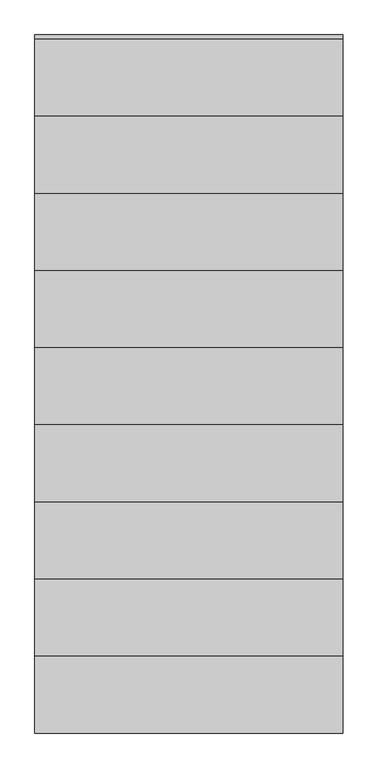
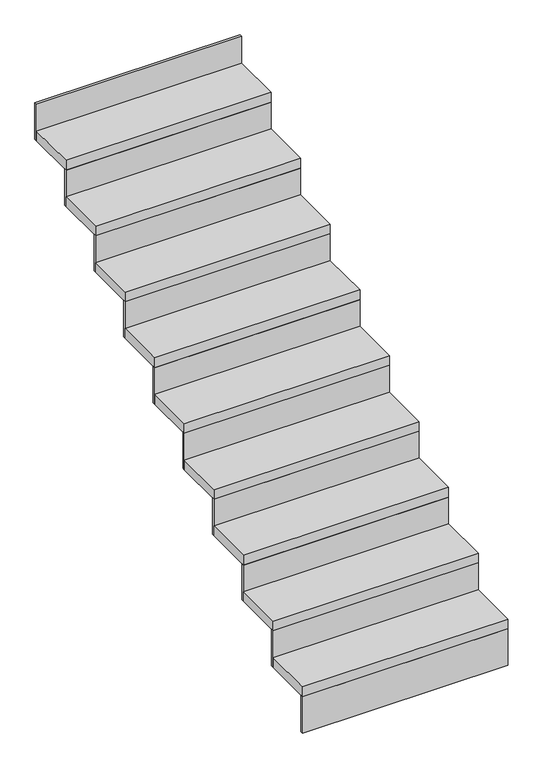
"""IFC4 building model written with IfcOpenShell, lengths in millimetres: stair flight geometry."""

from ifc_helpers import new_model, si_unit, frame, origin, place, context, project, spatial, polyline, outline, extrude, source, transform, mapped, element, save


def stair_flight_de99ba76(model_context):
    return source(origin(), model_context, "Body", "SweptSolid", [
        extrude(outline(polyline([(-4142.620157, 605.4977365), (-4142.620157, 592.9977365), (-5142.620157, 592.9977365), (-5142.620157, 605.4977365), (-4142.620157, 605.4977365)])), frame((0.0, 0.0, 1075.0), z_axis=(0.0, 0.0, 1.0), x_axis=(1.0, 0.0, 0.0)), (0.0, 0.0, 1.0), 187.5),
        extrude(outline(polyline([(-5142.620157, 842.9977365), (-4142.620157, 842.9977365), (-4142.620157, 592.9977365), (-5142.620157, 592.9977365), (-5142.620157, 842.9977365)])), frame((0.0, 0.0, 1262.5), z_axis=(0.0, 0.0, 1.0), x_axis=(1.0, 0.0, 0.0)), (0.0, 0.0, 1.0), 50.0),
        extrude(outline(polyline([(-4142.620157, 855.4977365), (-4142.620157, 842.9977365), (-5142.620157, 842.9977365), (-5142.620157, 855.4977365), (-4142.620157, 855.4977365)])), frame((0.0, 0.0, 1262.5), z_axis=(0.0, 0.0, 1.0), x_axis=(1.0, 0.0, 0.0)), (0.0, 0.0, 1.0), 187.5),
        extrude(outline(polyline([(-5142.620157, 1092.9977365), (-4142.620157, 1092.9977365), (-4142.620157, 842.9977365), (-5142.620157, 842.9977365), (-5142.620157, 1092.9977365)])), frame((0.0, 0.0, 1450.0), z_axis=(0.0, 0.0, 1.0), x_axis=(1.0, 0.0, 0.0)), (0.0, 0.0, 1.0), 50.0),
        extrude(outline(polyline([(-4142.620157, 1105.4977365), (-4142.620157, 1092.9977365), (-5142.620157, 1092.9977365), (-5142.620157, 1105.4977365), (-4142.620157, 1105.4977365)])), frame((0.0, 0.0, 1450.0), z_axis=(0.0, 0.0, 1.0), x_axis=(1.0, 0.0, 0.0)), (0.0, 0.0, 1.0), 187.5),
        extrude(outline(polyline([(-5142.620157, 1342.9977365), (-4142.620157, 1342.9977365), (-4142.620157, 1092.9977365), (-5142.620157, 1092.9977365), (-5142.620157, 1342.9977365)])), frame((0.0, 0.0, 1637.5), z_axis=(0.0, 0.0, 1.0), x_axis=(1.0, 0.0, 0.0)), (0.0, 0.0, 1.0), 50.0),
        extrude(outline(polyline([(-4142.620157, 1355.4977365), (-4142.620157, 1342.9977365), (-5142.620157, 1342.9977365), (-5142.620157, 1355.4977365), (-4142.620157, 1355.4977365)])), frame((0.0, 0.0, 1637.5), z_axis=(0.0, 0.0, 1.0), x_axis=(1.0, 0.0, 0.0)), (0.0, 0.0, 1.0), 187.5),
        extrude(outline(polyline([(-5142.620157, 1592.9977365), (-4142.620157, 1592.9977365), (-4142.620157, 1342.9977365), (-5142.620157, 1342.9977365), (-5142.620157, 1592.9977365)])), frame((0.0, 0.0, 1825.0), z_axis=(0.0, 0.0, 1.0), x_axis=(1.0, 0.0, 0.0)), (0.0, 0.0, 1.0), 50.0),
        extrude(outline(polyline([(-4142.620157, 1605.4977365), (-4142.620157, 1592.9977365), (-5142.620157, 1592.9977365), (-5142.620157, 1605.4977365), (-4142.620157, 1605.4977365)])), frame((0.0, 0.0, 1825.0), z_axis=(0.0, 0.0, 1.0), x_axis=(1.0, 0.0, 0.0)), (0.0, 0.0, 1.0), 187.5),
        extrude(outline(polyline([(-5142.620157, 1842.9977365), (-4142.620157, 1842.9977365), (-4142.620157, 1592.9977365), (-5142.620157, 1592.9977365), (-5142.620157, 1842.9977365)])), frame((0.0, 0.0, 2012.5), z_axis=(0.0, 0.0, 1.0), x_axis=(1.0, 0.0, 0.0)), (0.0, 0.0, 1.0), 50.0),
        extrude(outline(polyline([(-4142.620157, 1855.4977365), (-4142.620157, 1842.9977365), (-5142.620157, 1842.9977365), (-5142.620157, 1855.4977365), (-4142.620157, 1855.4977365)])), frame((0.0, 0.0, 2012.5), z_axis=(0.0, 0.0, 1.0), x_axis=(1.0, 0.0, 0.0)), (0.0, 0.0, 1.0), 187.5),
        extrude(outline(polyline([(-5142.620157, 2092.9977365), (-4142.620157, 2092.9977365), (-4142.620157, 1842.9977365), (-5142.620157, 1842.9977365), (-5142.620157, 2092.9977365)])), frame((0.0, 0.0, 2200.0), z_axis=(0.0, 0.0, 1.0), x_axis=(1.0, 0.0, 0.0)), (0.0, 0.0, 1.0), 50.0),
        extrude(outline(polyline([(-4142.620157, 2105.4977365), (-4142.620157, 2092.9977365), (-5142.620157, 2092.9977365), (-5142.620157, 2105.4977365), (-4142.620157, 2105.4977365)])), frame((0.0, 0.0, 2200.0), z_axis=(0.0, 0.0, 1.0), x_axis=(1.0, 0.0, 0.0)), (0.0, 0.0, 1.0), 187.5),
        extrude(outline(polyline([(-5142.620157, 2342.9977365), (-4142.620157, 2342.9977365), (-4142.620157, 2092.9977365), (-5142.620157, 2092.9977365), (-5142.620157, 2342.9977365)])), frame((0.0, 0.0, 2387.5), z_axis=(0.0, 0.0, 1.0), x_axis=(1.0, 0.0, 0.0)), (0.0, 0.0, 1.0), 50.0),
        extrude(outline(polyline([(-4142.620157, 2355.4977365), (-4142.620157, 2342.9977365), (-5142.620157, 2342.9977365), (-5142.620157, 2355.4977365), (-4142.620157, 2355.4977365)])), frame((0.0, 0.0, 2387.5), z_axis=(0.0, 0.0, 1.0), x_axis=(1.0, 0.0, 0.0)), (0.0, 0.0, 1.0), 187.5),
        extrude(outline(polyline([(-5142.620157, 2592.9977365), (-4142.620157, 2592.9977365), (-4142.620157, 2342.9977365), (-5142.620157, 2342.9977365), (-5142.620157, 2592.9977365)])), frame((0.0, 0.0, 2575.0), z_axis=(0.0, 0.0, 1.0), x_axis=(1.0, 0.0, 0.0)), (0.0, 0.0, 1.0), 50.0),
        extrude(outline(polyline([(-4142.620157, 2605.4977365), (-4142.620157, 2592.9977365), (-5142.620157, 2592.9977365), (-5142.620157, 2605.4977365), (-4142.620157, 2605.4977365)])), frame((0.0, 0.0, 2575.0), z_axis=(0.0, 0.0, 1.0), x_axis=(1.0, 0.0, 0.0)), (0.0, 0.0, 1.0), 187.5),
        extrude(outline(polyline([(-4142.620157, 2855.4977365), (-4142.620157, 2842.9977365), (-5142.620157, 2842.9977365), (-5142.620157, 2855.4977365), (-4142.620157, 2855.4977365)])), frame((0.0, 0.0, 2762.5), z_axis=(0.0, 0.0, 1.0), x_axis=(1.0, 0.0, 0.0)), (0.0, 0.0, 1.0), 187.5),
        extrude(outline(polyline([(-5142.620157, 2842.9977365), (-4142.620157, 2842.9977365), (-4142.620157, 2592.9977365), (-5142.620157, 2592.9977365), (-5142.620157, 2842.9977365)])), frame((0.0, 0.0, 2762.5), z_axis=(0.0, 0.0, 1.0), x_axis=(1.0, 0.0, 0.0)), (0.0, 0.0, 1.0), 50.0),
    ])


if __name__ == "__main__":
    model = new_model("IFC4")
    model_context = context("Model", 3, world=origin())
    ifc_project = project(units=[si_unit("LENGTHUNIT", "METRE", prefix="MILLI")], contexts=[model_context])
    site = spatial("IfcSite", under=ifc_project)
    building = spatial("IfcBuilding", under=site)
    placement = place(None, origin())
    stair_flight_shape = stair_flight_de99ba76(model_context)
    element("IfcStairFlight", 1, at=placement, inside=building, context=model_context, shape_type="MappedRepresentation", body=[
        mapped(stair_flight_shape, transform((0.0, 0.0, 0.0), x_axis=(1.0, 0.0, 0.0), y_axis=(0.0, 1.0, 0.0), z_axis=(0.0, 0.0, 1.0))),
    ])
    save(model, "model.ifc")
